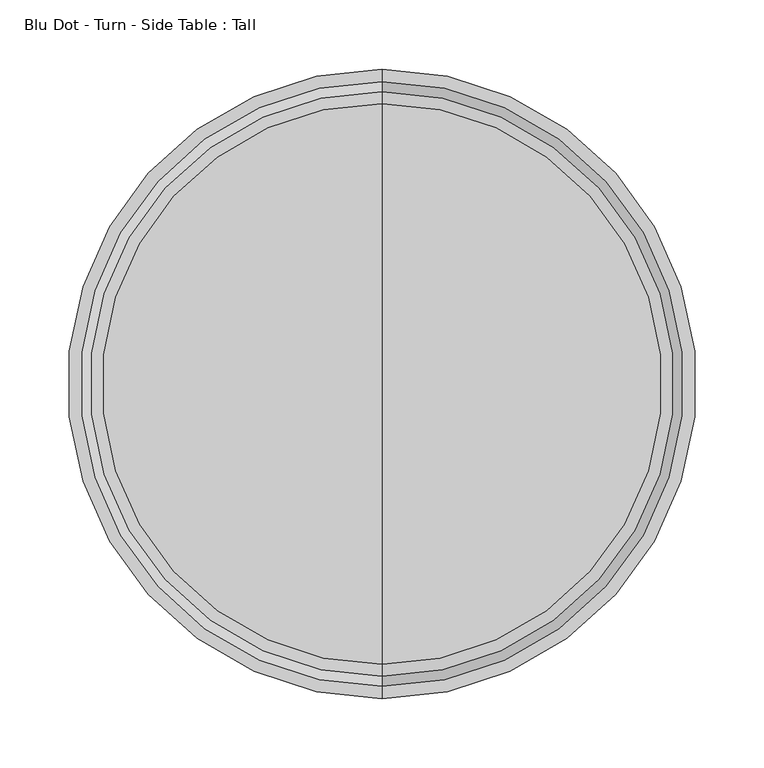
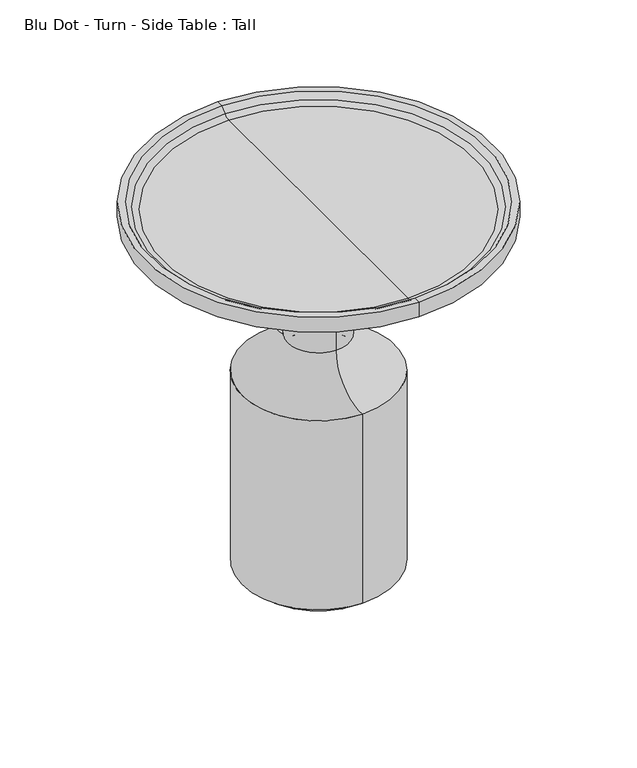
"""IFC4 building model written with IfcOpenShell, lengths in millimetres: furniture geometry, Blu Dot - Turn - Side Table : Tall."""

from ifc_helpers import new_model, si_unit, point, frame, origin, place, context, project, spatial, polyline, circle_curve, ellipse_curve, trimmed, source, transform, mapped, element, save
from ifc_brep_helpers import plane_surface, cylinder_surface, revolved_surface, advanced_brep


def blu_dot_turn_side_table_tall_d3a0b600(model_context):
    return source(origin(), model_context, "Body", "AdvancedBrep", [
        advanced_brep(
        [(0.0, 202.052466, 490.3277381), (0.0, -202.052466, 490.3277381), (0.0, 0.0, 490.3277381), (0.0, 226.8481703, 500.4535735), (0.0, -226.8481703, 500.4535735), (0.0, -218.0218013, 500.4535735), (0.0, 218.0218013, 500.4535735), (0.0, 226.8481703, 479.8868056), (0.0, -226.8481703, 479.8868056), (0.0, 99.4546199, 9.5080301), (0.0, -99.4546199, 9.5080301), (0.0, -99.4546199, 269.2350742), (0.0, 99.4546199, 269.2350742), (0.0, 88.2627022, 0.0), (0.0, -88.2627022, 0.0), (0.0, 0.0, 0.0), (0.0, 210.6449683, 493.6757915), (0.0, -210.6449683, 493.6757915), (0.0, 39.6879646, 412.8438412), (0.0, -39.6879646, 412.8438412), (0.0, 39.6879646, 320.6474339), (0.0, -39.6879646, 320.6474339)],
        [
            (0, 1, circle_curve(frame((0.0, 0.0, 490.3277381), z_axis=(0.0, 0.0, 1.0), x_axis=(0.0, -1.0, 0.0)), 202.052466)),
            (1, 2),
            (2, 0),
            (1, 0, circle_curve(frame((0.0, 0.0, 490.3277381), z_axis=(0.0, 0.0, 1.0), x_axis=(0.0, -1.0, 0.0)), 202.052466)),
            (3, 4, circle_curve(frame((0.0, 0.0, 500.4535735), z_axis=(0.0, 0.0, 1.0), x_axis=(0.0, -1.0, 0.0)), 226.8481703)),
            (4, 5),
            (5, 6, circle_curve(frame((0.0, 0.0, 500.4535735), z_axis=(0.0, 0.0, -1.0), x_axis=(0.0, -1.0, 0.0)), 218.0218013)),
            (6, 3),
            (4, 3, circle_curve(frame((0.0, 0.0, 500.4535735), z_axis=(0.0, 0.0, 1.0), x_axis=(0.0, -1.0, 0.0)), 226.8481703)),
            (6, 5, circle_curve(frame((0.0, 0.0, 500.4535735), z_axis=(0.0, 0.0, -1.0), x_axis=(0.0, -1.0, 0.0)), 218.0218013)),
            (7, 8, circle_curve(frame((0.0, 0.0, 479.8868056), z_axis=(0.0, 0.0, 1.0), x_axis=(0.0, -1.0, 0.0)), 226.8481703)),
            (8, 4),
            (3, 7),
            (8, 7, circle_curve(frame((0.0, 0.0, 479.8868056), z_axis=(0.0, 0.0, 1.0), x_axis=(0.0, -1.0, 0.0)), 226.8481703)),
            (9, 10, circle_curve(frame((0.0, 0.0, 9.5080301), z_axis=(0.0, 0.0, 1.0), x_axis=(0.0, -1.0, 0.0)), 99.4546199)),
            (10, 11),
            (11, 12, circle_curve(frame((0.0, 0.0, 269.2350742), z_axis=(0.0, 0.0, -1.0), x_axis=(0.0, -1.0, 0.0)), 99.4546199)),
            (12, 9),
            (10, 9, circle_curve(frame((0.0, 0.0, 9.5080301), z_axis=(0.0, 0.0, 1.0), x_axis=(0.0, -1.0, 0.0)), 99.4546199)),
            (12, 11, circle_curve(frame((0.0, 0.0, 269.2350742), z_axis=(0.0, 0.0, -1.0), x_axis=(0.0, -1.0, 0.0)), 99.4546199)),
            (13, 14, circle_curve(frame((0.0, 0.0, 0.0), z_axis=(0.0, 0.0, 1.0), x_axis=(0.0, -1.0, 0.0)), 88.2627022)),
            (14, 10),
            (9, 13),
            (14, 13, circle_curve(frame((0.0, 0.0, 0.0), z_axis=(0.0, 0.0, 1.0), x_axis=(0.0, -1.0, 0.0)), 88.2627022)),
            (15, 14),
            (13, 15),
            (16, 17, circle_curve(frame((0.0, 0.0, 493.6757915), z_axis=(0.0, 0.0, 1.0), x_axis=(0.0, -1.0, 0.0)), 210.6449683)),
            (17, 1, circle_curve(frame((0.0, -202.052466, 503.0277381), z_axis=(1.0, 0.0, 0.0), x_axis=(0.0, -1.0, 0.0)), 12.7)),
            (0, 16, circle_curve(frame((0.0, 202.052466, 503.0277381), z_axis=(1.0, 0.0, 0.0), x_axis=(0.0, 1.0, 0.0)), 12.7)),
            (17, 16, circle_curve(frame((0.0, 0.0, 493.6757915), z_axis=(0.0, 0.0, 1.0), x_axis=(0.0, -1.0, 0.0)), 210.6449683)),
            (5, 17),
            (16, 6),
            (18, 19, circle_curve(frame((0.0, 0.0, 412.8438412), z_axis=(0.0, 0.0, 1.0), x_axis=(0.0, -1.0, 0.0)), 39.6879646)),
            (19, 8),
            (7, 18),
            (19, 18, circle_curve(frame((0.0, 0.0, 412.8438412), z_axis=(0.0, 0.0, 1.0), x_axis=(0.0, -1.0, 0.0)), 39.6879646)),
            (20, 21, circle_curve(frame((0.0, 0.0, 320.6474339), z_axis=(0.0, 0.0, 1.0), x_axis=(0.0, -1.0, 0.0)), 39.6879646)),
            (21, 19),
            (18, 20),
            (21, 20, circle_curve(frame((0.0, 0.0, 320.6474339), z_axis=(0.0, 0.0, 1.0), x_axis=(0.0, -1.0, 0.0)), 39.6879646)),
            (11, 21, circle_curve(frame((0.0, -91.6842139, 320.6474339), z_axis=(1.0, 0.0, 0.0), x_axis=(0.0, -1.0, 0.0)), 51.9962493)),
            (20, 12, circle_curve(frame((0.0, 91.6842139, 320.6474339), z_axis=(1.0, 0.0, 0.0), x_axis=(0.0, 1.0, 0.0)), 51.9962493)),
        ],
        [
            plane_surface(frame((0.0, 0.0, 490.3277381), z_axis=(0.0, 0.0, 1.0), x_axis=(0.0, -1.0, 0.0))),
            plane_surface(frame((0.0, 0.0, 500.4535735), z_axis=(0.0, 0.0, 1.0), x_axis=(0.0, -1.0, 0.0))),
            cylinder_surface(frame((0.0, 0.0, 508.0), z_axis=(0.0, 0.0, -1.0), x_axis=(0.0, -1.0, 0.0)), 226.8481703),
            cylinder_surface(frame((0.0, 0.0, 508.0), z_axis=(0.0, 0.0, -1.0), x_axis=(0.0, -1.0, 0.0)), 99.4546199),
            revolved_surface(polyline([(0.0, -99.4546199, 9.5080301), (0.0, -88.2627022, 0.0)]), (0.0, 0.0, 508.0), (0.0, 0.0, -1.0)),
            plane_surface(frame((0.0, 0.0, 0.0), z_axis=(0.0, 0.0, -1.0), x_axis=(0.0, -1.0, 0.0))),
            revolved_surface(trimmed(ellipse_curve(frame((0.0, -202.052466, 503.0277381), z_axis=(-1.0, 0.0, 0.0), x_axis=(0.0, -1.0, 0.0)), 12.7, 12.7), [point((0.0, -202.052466, 490.3277381))], [point((0.0, -210.6449683, 493.6757915))], True, "CARTESIAN"), (0.0, 0.0, 508.0), (0.0, 0.0, -1.0)),
            revolved_surface(polyline([(0.0, -210.6449683, 493.6757915), (0.0, -218.0218013, 500.4535735)]), (0.0, 0.0, 508.0), (0.0, 0.0, -1.0)),
            revolved_surface(polyline([(0.0, -226.8481703, 479.8868056), (0.0, -39.6879646, 412.8438412)]), (0.0, 0.0, 508.0), (0.0, 0.0, -1.0)),
            cylinder_surface(frame((0.0, 0.0, 508.0), z_axis=(0.0, 0.0, -1.0), x_axis=(0.0, -1.0, 0.0)), 39.6879646),
            revolved_surface(trimmed(ellipse_curve(frame((0.0, -91.6842139, 320.6474339), z_axis=(-1.0, 0.0, 0.0), x_axis=(0.0, -1.0, 0.0)), 51.9962493, 51.9962493), [point((0.0, -39.6879646, 320.6474339))], [point((0.0, -99.4546199, 269.2350742))], True, "CARTESIAN"), (0.0, 0.0, 508.0), (0.0, 0.0, -1.0)),
        ],
        [
            (0, [[1, 2, 3]]),
            (0, [[4, -3, -2]]),
            (1, [[5, 6, 7, 8]]),
            (1, [[9, -8, 10, -6]]),
            (2, [[11, 12, -5, 13]]),
            (2, [[14, -13, -9, -12]]),
            (3, [[15, 16, 17, 18]]),
            (3, [[19, -18, 20, -16]]),
            (4, [[21, 22, -15, 23]]),
            (4, [[24, -23, -19, -22]]),
            (5, [[25, -21, 26]]),
            (5, [[-26, -24, -25]]),
            (6, [[27, 28, -1, 29]]),
            (6, [[30, -29, -4, -28]]),
            (7, [[-7, 31, -27, 32]]),
            (7, [[-10, -32, -30, -31]]),
            (8, [[33, 34, -11, 35]]),
            (8, [[36, -35, -14, -34]]),
            (9, [[37, 38, -33, 39]]),
            (9, [[40, -39, -36, -38]]),
            (10, [[-17, 41, -37, 42]]),
            (10, [[-20, -42, -40, -41]]),
        ],
    ),
    ])


if __name__ == "__main__":
    model = new_model("IFC4")
    model_context = context("Model", 3, world=origin())
    ifc_project = project(units=[si_unit("LENGTHUNIT", "METRE", prefix="MILLI")], contexts=[model_context])
    site = spatial("IfcSite", under=ifc_project)
    building = spatial("IfcBuilding", under=site)
    placement = place(None, origin())
    blu_dot_turn_side_table_tall_shape = blu_dot_turn_side_table_tall_d3a0b600(model_context)
    element("IfcFurniture", 1, ObjectType="Blu Dot - Turn - Side Table : Tall", at=placement, inside=building, context=model_context, shape_type="MappedRepresentation", body=[
        mapped(blu_dot_turn_side_table_tall_shape, transform((0.0, 0.0, 0.0), x_axis=(1.0, 0.0, 0.0), y_axis=(0.0, 1.0, 0.0), z_axis=(0.0, 0.0, 1.0))),
    ])
    save(model, "model.ifc")
